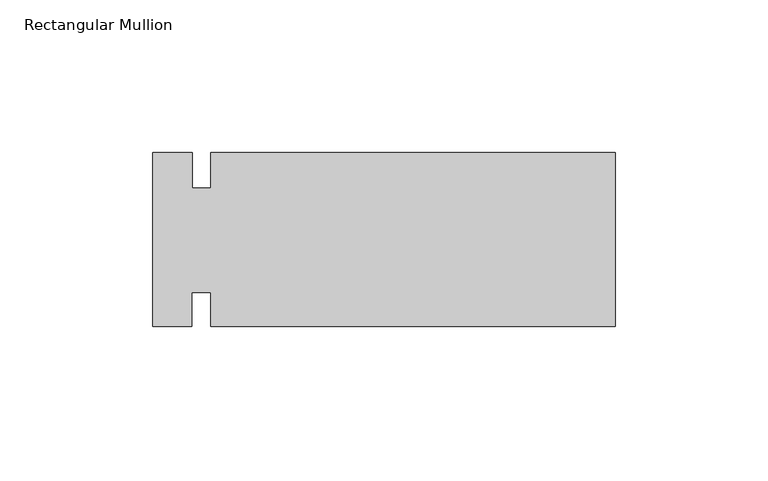
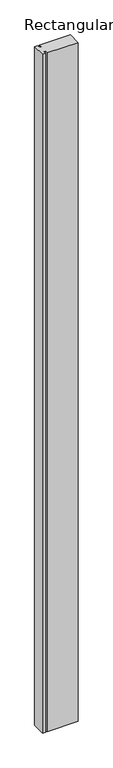
"""IFC4 building model written with IfcOpenShell, lengths in millimetres: member geometry, Rectangular Mullion."""

from ifc_helpers import new_model, si_unit, frame, origin, place, context, project, spatial, polyline, outline, extrude, source, transform, mapped, element, save


def rectangular_mullion_d8c4eb65(model_context):
    return source(origin(), model_context, "Body", "SweptSolid", [
        extrude(outline(polyline([(-151.6888, 28.575), (-138.7524331, 28.575), (-138.7524331, 16.8148), (-132.6008706, 16.8148), (-132.6008706, 28.575), (0.0, 28.575), (0.0, -28.575), (-132.6224658, -28.575), (-132.6224658, -17.4323577), (-138.7838843, -17.4323577), (-138.7838843, -28.575), (-151.6888, -28.575), (-151.6888, 28.575)])), frame((0.0, 0.0, -3048.0), z_axis=(0.0, 0.0, 1.0), x_axis=(1.0, 0.0, 0.0)), (0.0, 0.0, 1.0), 3048.0),
    ])


if __name__ == "__main__":
    model = new_model("IFC4")
    model_context = context("Model", 3, world=origin())
    ifc_project = project(units=[si_unit("LENGTHUNIT", "METRE", prefix="MILLI")], contexts=[model_context])
    site = spatial("IfcSite", under=ifc_project)
    building = spatial("IfcBuilding", under=site)
    placement = place(None, origin())
    rectangular_mullion_shape = rectangular_mullion_d8c4eb65(model_context)
    element("IfcMember", 1, ObjectType="Rectangular Mullion", at=placement, inside=building, context=model_context, shape_type="MappedRepresentation", body=[
        mapped(rectangular_mullion_shape, transform((0.0, 0.0, 0.0), x_axis=(1.0, 0.0, 0.0), y_axis=(0.0, 1.0, 0.0), z_axis=(0.0, 0.0, 1.0))),
    ])
    save(model, "model.ifc")
